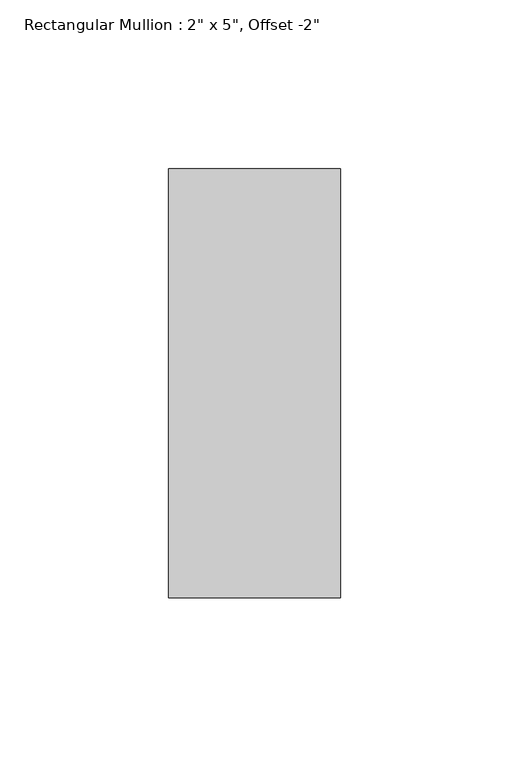
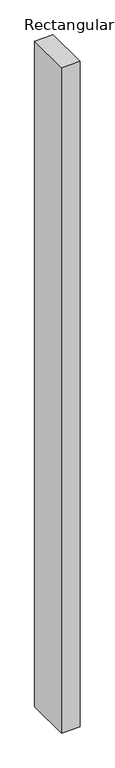
"""IFC4 building model written with IfcOpenShell, lengths in millimetres: member geometry."""

from ifc_helpers import new_model, si_unit, frame, origin, place, context, project, spatial, polyline, outline, extrude, source, transform, mapped, element, save


def member_2dc66894(model_context):
    return source(origin(), model_context, "Body", "SweptSolid", [
        extrude(outline(polyline([(0.0, 114.3), (0.0, -12.7), (-50.8, -12.7), (-50.8, 114.3), (0.0, 114.3)])), frame((0.0, 0.0, -1931.5730667), z_axis=(0.0, 0.0, 1.0), x_axis=(1.0, 0.0, 0.0)), (0.0, 0.0, 1.0), 1931.5730667),
    ])


if __name__ == "__main__":
    model = new_model("IFC4")
    model_context = context("Model", 3, world=origin())
    ifc_project = project(units=[si_unit("LENGTHUNIT", "METRE", prefix="MILLI")], contexts=[model_context])
    site = spatial("IfcSite", under=ifc_project)
    building = spatial("IfcBuilding", under=site)
    placement = place(None, origin())
    member_shape = member_2dc66894(model_context)
    element("IfcMember", 1, ObjectType="Rectangular Mullion : 2\" x 5\", Offset -2\"", at=placement, inside=building, context=model_context, shape_type="MappedRepresentation", body=[
        mapped(member_shape, transform((0.0, 0.0, 0.0), x_axis=(1.0, 0.0, 0.0), y_axis=(0.0, 1.0, 0.0), z_axis=(0.0, 0.0, 1.0))),
    ])
    save(model, "model.ifc")
